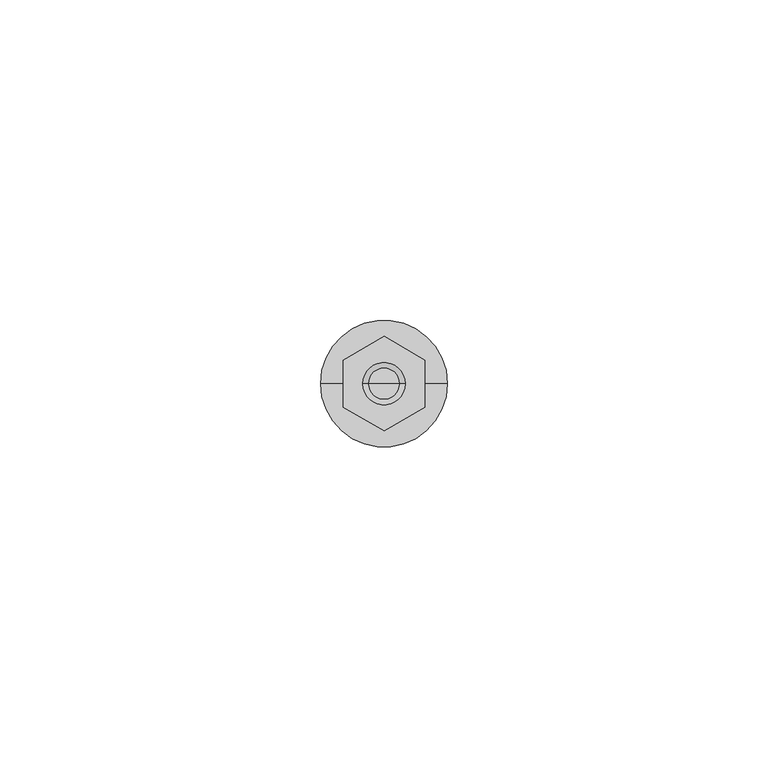
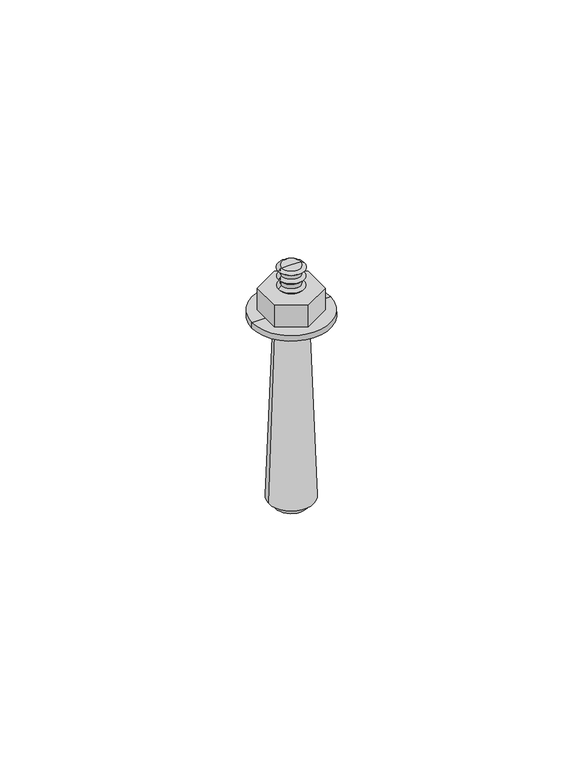
"""IFC4 building model written with IfcOpenShell, lengths in millimetres: proxy geometry."""

import ifcopenshell
import ifcopenshell.guid

model = None  # the IFC model being written
_history = None  # IfcOwnerHistory: only IFC2X3 demands one
_inside = {}  # id of a spatial element -> (the spatial element, [elements in it])
_under = {}  # id of a project, library or spatial element -> (it, [spatial elements below it])
_declared = {}  # id of a project -> (the project, [libraries it declares])
_typed = {}  # id of a type object -> (the type object, [elements of that type])
_made_of = {}  # id of a material, layer set ... -> (it, [elements and type objects made of it])


def new_model(schema):
    """Start an empty IFC model of exactly this schema.

    Asked for "IFC4X3", IfcOpenShell would pick the latest addendum, in which some entities
    have other attributes; the version numbers below select the first issue.
    IFC2X3 requires an IfcOwnerHistory on every rooted entity: one is made here for all.
    """
    global model, _history
    if schema == "IFC4X3":
        model = ifcopenshell.file(schema_version=(4, 3, 0, 0))
    else:
        model = ifcopenshell.file(schema=schema)
    _inside.clear()
    _under.clear()
    _declared.clear()
    _typed.clear()
    _made_of.clear()
    _history = None
    if model.schema == "IFC2X3":
        org = make("IfcOrganization", Name="unknown")
        user = make(
            "IfcPersonAndOrganization",
            ThePerson=make("IfcPerson", FamilyName="unknown"),
            TheOrganization=org,
        )
        app = make(
            "IfcApplication",
            ApplicationDeveloper=org,
            Version="unknown",
            ApplicationFullName="unknown",
            ApplicationIdentifier="unknown",
        )
        _history = make(
            "IfcOwnerHistory",
            OwningUser=user,
            OwningApplication=app,
            ChangeAction="ADDED",
            CreationDate=0,
        )
    return model


def make(cls, **values):
    """One entity of the class cls with the attributes given. An attribute that is None is left unset."""
    return model.create_entity(
        cls, **{name: value for name, value in values.items() if value is not None}
    )


def rooted(cls, **values):
    """An entity with a GlobalId (a new one), such as an element, a storey or a relation."""
    return make(cls, GlobalId=ifcopenshell.guid.new(), OwnerHistory=_history, **values)


def si_unit(unit_type, name, prefix=None):
    """IfcSIUnit, for example si_unit("LENGTHUNIT", "METRE", prefix="MILLI")."""
    return make("IfcSIUnit", UnitType=unit_type, Prefix=prefix, Name=name)


def assignment(units):
    """IfcUnitAssignment: the units of a project."""
    return None if units is None else make("IfcUnitAssignment", Units=units)


def point(xyz):
    """IfcCartesianPoint."""
    return None if xyz is None else make("IfcCartesianPoint", Coordinates=xyz)


def direction(xyz):
    """IfcDirection."""
    return None if xyz is None else make("IfcDirection", DirectionRatios=xyz)


def frame(location, z_axis=None, x_axis=None):
    """IfcAxis2Placement3D, a coordinate frame: its origin and axes. An axis left out is left unset."""
    return make(
        "IfcAxis2Placement3D",
        Location=point(location),
        Axis=direction(z_axis),
        RefDirection=direction(x_axis),
    )


def origin():
    """The frame at (0, 0, 0) with its axes left unset."""
    return frame((0.0, 0.0, 0.0))


def place(relative_to, where):
    """IfcLocalPlacement: puts the frame where relative to a parent placement (None: the world)."""
    return make(
        "IfcLocalPlacement", PlacementRelTo=relative_to, RelativePlacement=where
    )


def context(
    kind, dimensions, precision=None, world=None, true_north=None, identifier=None
):
    """IfcGeometricRepresentationContext, for example the 3D "Model" context."""
    return make(
        "IfcGeometricRepresentationContext",
        ContextIdentifier=identifier,
        ContextType=kind,
        CoordinateSpaceDimension=dimensions,
        Precision=precision,
        WorldCoordinateSystem=world,
        TrueNorth=true_north,
    )


def project(units=None, contexts=None):
    """IfcProject with its units and contexts."""
    return rooted(
        "IfcProject",
        Name="project",
        RepresentationContexts=contexts,
        UnitsInContext=assignment(units),
    )


def spatial(cls, under=None, at=None, **own):
    """A site, building, storey or space (cls), placed at a placement, below another one or the project."""
    s = rooted(cls, ObjectPlacement=at, **own)
    if under is not None:
        _under.setdefault(under.id(), (under, []))[1].append(s)
    return s


def polyline(points):
    """IfcPolyline through the points."""
    return make("IfcPolyline", Points=[point(p) for p in points])


def circle_curve(where, radius):
    """IfcCircle in the frame where."""
    return make("IfcCircle", Position=where, Radius=radius)


def outline(outer, holes=None, kind="AREA"):
    """IfcArbitraryClosedProfileDef: a profile drawn as a closed curve; with holes, ...WithVoids."""
    if holes is None:
        return make("IfcArbitraryClosedProfileDef", ProfileType=kind, OuterCurve=outer)
    return make(
        "IfcArbitraryProfileDefWithVoids",
        ProfileType=kind,
        OuterCurve=outer,
        InnerCurves=holes,
    )


def extrude(swept, where, along, depth):
    """IfcExtrudedAreaSolid: the profile swept, set in the frame where, extruded along a direction by depth."""
    return make(
        "IfcExtrudedAreaSolid",
        SweptArea=swept,
        Position=where,
        ExtrudedDirection=direction(along),
        Depth=depth,
    )


def shape(context_of_items, identifier, shape_type, items):
    """IfcShapeRepresentation: the items that make up one representation, for example the "Body"."""
    return make(
        "IfcShapeRepresentation",
        ContextOfItems=context_of_items,
        RepresentationIdentifier=identifier,
        RepresentationType=shape_type,
        Items=items,
    )


def source(mapping_origin, context_of_items, identifier, shape_type, items):
    """IfcRepresentationMap: a shape defined once, which mapped items show again and again."""
    return make(
        "IfcRepresentationMap",
        MappingOrigin=mapping_origin,
        MappedRepresentation=shape(context_of_items, identifier, shape_type, items),
    )


def transform(
    local_origin,
    x_axis=None,
    y_axis=None,
    z_axis=None,
    scale=None,
    scale2=None,
    scale3=None,
    uniform=True,
):
    """IfcCartesianTransformationOperator3D, or its non-uniform kind. x_axis, y_axis, z_axis: its Axis1, 2, 3."""
    if uniform:
        return make(
            "IfcCartesianTransformationOperator3D",
            Axis1=direction(x_axis),
            Axis2=direction(y_axis),
            LocalOrigin=point(local_origin),
            Scale=scale,
            Axis3=direction(z_axis),
        )
    return make(
        "IfcCartesianTransformationOperator3DnonUniform",
        Axis1=direction(x_axis),
        Axis2=direction(y_axis),
        LocalOrigin=point(local_origin),
        Scale=scale,
        Axis3=direction(z_axis),
        Scale2=scale2,
        Scale3=scale3,
    )


def mapped(mapping_source, mapping_target):
    """IfcMappedItem: shows the shape of a source again, moved by a transform."""
    return make(
        "IfcMappedItem", MappingSource=mapping_source, MappingTarget=mapping_target
    )


def made_of(thing, what):
    """Note that an element or type object is made of a material, layer set ...; save() writes the relation."""
    if what is not None:
        _made_of.setdefault(what.id(), (what, []))[1].append(thing)
    return thing


def element(
    cls,
    number,
    at=None,
    inside=None,
    cuts=None,
    type_object=None,
    material=None,
    context=None,
    identifier="Body",
    shape_type=None,
    held_by="IfcProductDefinitionShape",
    body=None,
    shapes=None,
    **own,
):
    """One element of the class cls, such as IfcWall. Its Tag is "e" and its number.

    at: its placement. inside: the storey or other place that contains it. cuts: it is an
    opening in that element (IfcRelVoidsElement). A single representation is given by context,
    identifier, shape_type and body (its items); several are given by shapes. held_by: the class
    of the entity that holds the representations. save() writes the other relations.
    """
    e = rooted(cls, Tag="e%d" % number, ObjectPlacement=at, **own)
    if body is not None:
        shapes = [shape(context, identifier, shape_type, body)]
    if shapes is not None:
        e.Representation = make(held_by, Representations=shapes)
    if inside is not None:
        _inside.setdefault(inside.id(), (inside, []))[1].append(e)
    if cuts is not None:
        rooted(
            "IfcRelVoidsElement", RelatingBuildingElement=cuts, RelatedOpeningElement=e
        )
    if type_object is not None:
        _typed.setdefault(type_object.id(), (type_object, []))[1].append(e)
    return made_of(e, material)


def aggregate(whole, parts):
    """IfcRelAggregates: a whole, such as a stair, and the parts it consists of."""
    return rooted("IfcRelAggregates", RelatingObject=whole, RelatedObjects=parts)


def save(model, path):
    """Write the relations noted so far, then the file.

    IfcRelAggregates (storeys below a building ...), IfcRelContainedInSpatialStructure (elements
    in a storey), IfcRelDefinesByType, IfcRelAssociatesMaterial and IfcRelDeclares: one each for
    every whole, place, type object, material and project.
    """
    for whole, parts in _under.values():
        aggregate(whole, parts)
    for where, things in _inside.values():
        rooted(
            "IfcRelContainedInSpatialStructure",
            RelatedElements=things,
            RelatingStructure=where,
        )
    for kind, things in _typed.values():
        rooted("IfcRelDefinesByType", RelatedObjects=things, RelatingType=kind)
    for what, things in _made_of.values():
        rooted("IfcRelAssociatesMaterial", RelatedObjects=things, RelatingMaterial=what)
    for by, libraries in _declared.values():
        rooted("IfcRelDeclares", RelatingContext=by, RelatedDefinitions=libraries)
    model.write(path)


def plane_surface(at):
    """IfcPlane: the flat surface through the origin of the frame at, square to its z axis."""
    return make("IfcPlane", Position=at)


def cylinder_surface(at, radius):
    """IfcCylindricalSurface: all points at the distance radius from the z axis of the frame at."""
    return make("IfcCylindricalSurface", Position=at, Radius=radius)


def revolved_surface(curve, axis_point, axis_direction):
    """IfcSurfaceOfRevolution: the curve turned about the line through axis_point along axis_direction."""
    return make(
        "IfcSurfaceOfRevolution",
        SweptCurve=make("IfcArbitraryOpenProfileDef", ProfileType="CURVE", Curve=curve),
        AxisPosition=make("IfcAxis1Placement", Location=point(axis_point), Axis=direction(axis_direction)),
    )


def advanced_brep(points, edges, surfaces, faces):
    """IfcAdvancedBrep: a solid bounded by faces that lie on surfaces and meet in shared edges.

    An edge is (start, end): straight between two places in points (the first is 0);
    or (start, end, curve); or (start, end, curve, False) where it runs against its curve.
    A face is (place in surfaces, loops), or (place, loops, False) where it looks against
    its surface's normal. A loop lists edges by number (the first is 1), with a minus sign
    where the edge is run from its end to its start. The first loop is the outer one.
    """
    corners = [point(p) for p in points]
    vertices = [make("IfcVertexPoint", VertexGeometry=c) for c in corners]
    made = []
    for start, end, *more in edges:
        made.append(
            make(
                "IfcEdgeCurve",
                EdgeStart=vertices[start],
                EdgeEnd=vertices[end],
                EdgeGeometry=more[0] if more else make("IfcPolyline", Points=[corners[start], corners[end]]),
                SameSense=more[1] if len(more) > 1 else True,
            )
        )
    hull = []
    for where, loops, *sense in faces:
        bounds = []
        for j, loop in enumerate(loops):
            ring = [make("IfcOrientedEdge", EdgeElement=made[abs(k) - 1], Orientation=k > 0) for k in loop]
            bounds.append(
                make(
                    "IfcFaceOuterBound" if j == 0 else "IfcFaceBound",
                    Bound=make("IfcEdgeLoop", EdgeList=ring),
                    Orientation=True,
                )
            )
        hull.append(make("IfcAdvancedFace", Bounds=bounds, FaceSurface=surfaces[where], SameSense=sense[0] if sense else True))
    return make("IfcAdvancedBrep", Outer=make("IfcClosedShell", CfsFaces=hull))


def generic_models_38dbcacf(model_context):
    return source(origin(), model_context, "Body", "SolidModel", [
        extrude(outline(polyline([(-6.3865023, -3.6872488), (-6.3865023, 3.6872488), (0.0, 7.3744977), (6.3865023, 3.6872488), (6.3865023, -3.6872488), (0.0, -7.3744977), (-6.3865023, -3.6872488)])), frame((0.0, 0.0, 1.4240948), z_axis=(0.0, 0.0, 1.0), x_axis=(1.0, 0.0, 0.0)), (0.0, 0.0, 1.0), 5.7678376),
        advanced_brep(
        [(-4.0, 0.0, -50.0), (0.0, 0.0, -50.0), (4.0, 0.0, -50.0), (-4.0, 0.0, -48.1383526), (4.0, 0.0, -48.1383526), (-5.6487243, 0.0, -48.1383526), (5.6487243, 0.0, -48.1383526), (-3.9676959, 0.0, 0.0), (3.9676959, 0.0, 0.0), (-9.8929481, 0.0, 0.0), (9.8929481, 0.0, 0.0), (-9.8929481, 0.0, 1.4240948), (9.8929481, 0.0, 1.4240948), (0.0, 0.0, 1.4240948)],
        [
            (0, 1),
            (1, 2),
            (2, 0, circle_curve(frame((0.0, 0.0, -50.0), z_axis=(0.0, 0.0, -1.0), x_axis=(1.0, 0.0, 0.0)), 4.0)),
            (0, 2, circle_curve(frame((0.0, 0.0, -50.0), z_axis=(0.0, 0.0, -1.0), x_axis=(1.0, 0.0, 0.0)), 4.0)),
            (3, 0),
            (2, 4),
            (4, 3, circle_curve(frame((0.0, 0.0, -48.1383526), z_axis=(0.0, 0.0, -1.0), x_axis=(1.0, 0.0, 0.0)), 4.0)),
            (3, 4, circle_curve(frame((0.0, 0.0, -48.1383526), z_axis=(0.0, 0.0, -1.0), x_axis=(1.0, 0.0, 0.0)), 4.0)),
            (5, 3),
            (4, 6),
            (6, 5, circle_curve(frame((0.0, 0.0, -48.1383526), z_axis=(0.0, 0.0, -1.0), x_axis=(1.0, 0.0, 0.0)), 5.6487243)),
            (5, 6, circle_curve(frame((0.0, 0.0, -48.1383526), z_axis=(0.0, 0.0, -1.0), x_axis=(1.0, 0.0, 0.0)), 5.6487243)),
            (7, 5),
            (6, 8),
            (8, 7, circle_curve(frame((0.0, 0.0, 0.0), z_axis=(0.0, 0.0, -1.0), x_axis=(1.0, 0.0, 0.0)), 3.9676959)),
            (7, 8, circle_curve(frame((0.0, 0.0, 0.0), z_axis=(0.0, 0.0, -1.0), x_axis=(1.0, 0.0, 0.0)), 3.9676959)),
            (9, 7),
            (8, 10),
            (10, 9, circle_curve(frame((0.0, 0.0, 0.0), z_axis=(0.0, 0.0, -1.0), x_axis=(1.0, 0.0, 0.0)), 9.8929481)),
            (9, 10, circle_curve(frame((0.0, 0.0, 0.0), z_axis=(0.0, 0.0, -1.0), x_axis=(1.0, 0.0, 0.0)), 9.8929481)),
            (11, 9),
            (10, 12),
            (12, 11, circle_curve(frame((0.0, 0.0, 1.4240948), z_axis=(0.0, 0.0, -1.0), x_axis=(1.0, 0.0, 0.0)), 9.8929481)),
            (11, 12, circle_curve(frame((0.0, 0.0, 1.4240948), z_axis=(0.0, 0.0, -1.0), x_axis=(1.0, 0.0, 0.0)), 9.8929481)),
            (13, 11),
            (12, 13),
        ],
        [
            plane_surface(frame((0.0, 0.0, -50.0), z_axis=(0.0, 0.0, -1.0), x_axis=(1.0, 0.0, 0.0))),
            cylinder_surface(frame((0.0, 0.0, 15.3221183), z_axis=(0.0, 0.0, 1.0), x_axis=(1.0, 0.0, 0.0)), 4.0),
            plane_surface(frame((0.0, 0.0, -48.1383526), z_axis=(0.0, 0.0, -1.0), x_axis=(1.0, 0.0, 0.0))),
            revolved_surface(polyline([(5.6487243, 0.0, -48.1383526), (3.9676959, 0.0, 0.0)]), (0.0, 0.0, 15.3221183), (0.0, 0.0, 1.0)),
            plane_surface(frame((0.0, 0.0, 0.0), z_axis=(0.0, 0.0, -1.0), x_axis=(1.0, 0.0, 0.0))),
            cylinder_surface(frame((0.0, 0.0, 15.3221183), z_axis=(0.0, 0.0, 1.0), x_axis=(1.0, 0.0, 0.0)), 9.8929481),
            plane_surface(frame((0.0, 0.0, 1.4240948), z_axis=(0.0, 0.0, 1.0), x_axis=(1.0, 0.0, 0.0))),
        ],
        [
            (0, [[1, 2, 3]]),
            (0, [[-2, -1, 4]]),
            (1, [[5, -3, 6, 7]]),
            (1, [[-6, -4, -5, 8]]),
            (2, [[9, -7, 10, 11]]),
            (2, [[-10, -8, -9, 12]]),
            (3, [[13, -11, 14, 15]]),
            (3, [[-14, -12, -13, 16]]),
            (4, [[17, -15, 18, 19]]),
            (4, [[-18, -16, -17, 20]]),
            (5, [[21, -19, 22, 23]]),
            (5, [[-22, -20, -21, 24]]),
            (6, [[25, -23, 26]]),
            (6, [[-26, -24, -25]]),
        ],
    ),
        advanced_brep(
        [(-3.1619111, 0.0, 8.0346294), (-2.4548043, 0.0, 7.1919324), (2.4548043, 0.0, 7.1919324), (3.1619111, 0.0, 8.0346294), (-2.4548043, 0.0, 8.7417362), (2.4548043, 0.0, 8.7417362), (-2.4548043, 0.0, 9.8078637), (2.4548043, 0.0, 9.8078637), (-3.1619111, 0.0, 10.5149705), (3.1619111, 0.0, 10.5149705), (-2.4548043, 0.0, 11.2220773), (2.4548043, 0.0, 11.2220773), (-2.4548043, 0.0, 12.2220773), (2.4548043, 0.0, 12.2220773), (-3.2838419, 0.0, 12.8391344), (3.2838419, 0.0, 12.8391344), (-2.4548043, 0.0, 13.3983273), (2.4548043, 0.0, 13.3983273), (0.0, 0.0, 13.3983273), (0.0, 0.0, 7.1919324)],
        [
            (0, 1),
            (1, 2, circle_curve(frame((0.0, 0.0, 7.1919324), z_axis=(0.0, 0.0, 1.0), x_axis=(1.0, 0.0, 0.0)), 2.4548043)),
            (2, 3),
            (3, 0, circle_curve(frame((0.0, 0.0, 8.0346294), z_axis=(0.0, 0.0, -1.0), x_axis=(1.0, 0.0, 0.0)), 3.1619111)),
            (2, 1, circle_curve(frame((0.0, 0.0, 7.1919324), z_axis=(0.0, 0.0, 1.0), x_axis=(1.0, 0.0, 0.0)), 2.4548043)),
            (0, 3, circle_curve(frame((0.0, 0.0, 8.0346294), z_axis=(0.0, 0.0, -1.0), x_axis=(1.0, 0.0, 0.0)), 3.1619111)),
            (4, 0),
            (3, 5),
            (5, 4, circle_curve(frame((0.0, 0.0, 8.7417362), z_axis=(0.0, 0.0, -1.0), x_axis=(1.0, 0.0, 0.0)), 2.4548043)),
            (4, 5, circle_curve(frame((0.0, 0.0, 8.7417362), z_axis=(0.0, 0.0, -1.0), x_axis=(1.0, 0.0, 0.0)), 2.4548043)),
            (6, 4),
            (5, 7),
            (7, 6, circle_curve(frame((0.0, 0.0, 9.8078637), z_axis=(0.0, 0.0, -1.0), x_axis=(1.0, 0.0, 0.0)), 2.4548043)),
            (6, 7, circle_curve(frame((0.0, 0.0, 9.8078637), z_axis=(0.0, 0.0, -1.0), x_axis=(1.0, 0.0, 0.0)), 2.4548043)),
            (8, 6),
            (7, 9),
            (9, 8, circle_curve(frame((0.0, 0.0, 10.5149705), z_axis=(0.0, 0.0, -1.0), x_axis=(1.0, 0.0, 0.0)), 3.1619111)),
            (8, 9, circle_curve(frame((0.0, 0.0, 10.5149705), z_axis=(0.0, 0.0, -1.0), x_axis=(1.0, 0.0, 0.0)), 3.1619111)),
            (10, 8),
            (9, 11),
            (11, 10, circle_curve(frame((0.0, 0.0, 11.2220773), z_axis=(0.0, 0.0, -1.0), x_axis=(1.0, 0.0, 0.0)), 2.4548043)),
            (10, 11, circle_curve(frame((0.0, 0.0, 11.2220773), z_axis=(0.0, 0.0, -1.0), x_axis=(1.0, 0.0, 0.0)), 2.4548043)),
            (12, 10),
            (11, 13),
            (13, 12, circle_curve(frame((0.0, 0.0, 12.2220773), z_axis=(0.0, 0.0, -1.0), x_axis=(1.0, 0.0, 0.0)), 2.4548043)),
            (12, 13, circle_curve(frame((0.0, 0.0, 12.2220773), z_axis=(0.0, 0.0, -1.0), x_axis=(1.0, 0.0, 0.0)), 2.4548043)),
            (14, 12),
            (13, 15),
            (15, 14, circle_curve(frame((0.0, 0.0, 12.8391344), z_axis=(0.0, 0.0, -1.0), x_axis=(1.0, 0.0, 0.0)), 3.2838419)),
            (14, 15, circle_curve(frame((0.0, 0.0, 12.8391344), z_axis=(0.0, 0.0, -1.0), x_axis=(1.0, 0.0, 0.0)), 3.2838419)),
            (16, 14),
            (15, 17),
            (17, 16, circle_curve(frame((0.0, 0.0, 13.3983273), z_axis=(0.0, 0.0, -1.0), x_axis=(1.0, 0.0, 0.0)), 2.4548043)),
            (16, 17, circle_curve(frame((0.0, 0.0, 13.3983273), z_axis=(0.0, 0.0, -1.0), x_axis=(1.0, 0.0, 0.0)), 2.4548043)),
            (18, 16),
            (17, 18),
            (1, 19),
            (19, 2),
        ],
        [
            revolved_surface(polyline([(2.4548043, 0.0, 7.1919324), (3.1619111, 0.0, 8.0346294)]), (0.0, 0.0, 15.3221183), (0.0, 0.0, 1.0)),
            revolved_surface(polyline([(3.1619111, 0.0, 8.0346294), (2.4548043, 0.0, 8.7417362)]), (0.0, 0.0, 15.3221183), (0.0, 0.0, 1.0)),
            cylinder_surface(frame((0.0, 0.0, 15.3221183), z_axis=(0.0, 0.0, 1.0), x_axis=(1.0, 0.0, 0.0)), 2.4548043),
            revolved_surface(polyline([(2.4548043, 0.0, 9.8078637), (3.1619111, 0.0, 10.5149705)]), (0.0, 0.0, 15.3221183), (0.0, 0.0, 1.0)),
            revolved_surface(polyline([(3.1619111, 0.0, 10.5149705), (2.4548043, 0.0, 11.2220773)]), (0.0, 0.0, 15.3221183), (0.0, 0.0, 1.0)),
            revolved_surface(polyline([(2.4548043, 0.0, 12.2220773), (3.2838419, 0.0, 12.8391344)]), (0.0, 0.0, 15.3221183), (0.0, 0.0, 1.0)),
            revolved_surface(polyline([(3.2838419, 0.0, 12.8391344), (2.4548043, 0.0, 13.3983273)]), (0.0, 0.0, 15.3221183), (0.0, 0.0, 1.0)),
            plane_surface(frame((0.0, 0.0, 13.3983273), z_axis=(0.0, 0.0, 1.0), x_axis=(1.0, 0.0, 0.0))),
            plane_surface(frame((0.0, 0.0, 7.1919324), z_axis=(0.0, 0.0, -1.0), x_axis=(1.0, 0.0, 0.0))),
        ],
        [
            (0, [[1, 2, 3, 4]]),
            (0, [[-3, 5, -1, 6]]),
            (1, [[7, -4, 8, 9]]),
            (1, [[-8, -6, -7, 10]]),
            (2, [[11, -9, 12, 13]]),
            (2, [[-12, -10, -11, 14]]),
            (3, [[15, -13, 16, 17]]),
            (3, [[-16, -14, -15, 18]]),
            (4, [[19, -17, 20, 21]]),
            (4, [[-20, -18, -19, 22]]),
            (2, [[23, -21, 24, 25]]),
            (2, [[-24, -22, -23, 26]]),
            (5, [[27, -25, 28, 29]]),
            (5, [[-28, -26, -27, 30]]),
            (6, [[31, -29, 32, 33]]),
            (6, [[-32, -30, -31, 34]]),
            (7, [[35, -33, 36]]),
            (7, [[-36, -34, -35]]),
            (8, [[37, 38, -2]]),
            (8, [[-38, -37, -5]]),
        ],
    ),
    ])


if __name__ == "__main__":
    model = new_model("IFC4")
    model_context = context("Model", 3, world=origin())
    ifc_project = project(units=[si_unit("LENGTHUNIT", "METRE", prefix="MILLI")], contexts=[model_context])
    site = spatial("IfcSite", under=ifc_project)
    building = spatial("IfcBuilding", under=site)
    placement = place(None, origin())
    generic_models_shape = generic_models_38dbcacf(model_context)
    element("IfcBuildingElementProxy", 1, Name="Generic Models", at=placement, inside=building, context=model_context, shape_type="MappedRepresentation", body=[
        mapped(generic_models_shape, transform((0.0, 0.0, 0.0), x_axis=(1.0, 0.0, 0.0), y_axis=(0.0, 1.0, 0.0), z_axis=(0.0, 0.0, 1.0))),
    ])
    save(model, "model.ifc")
